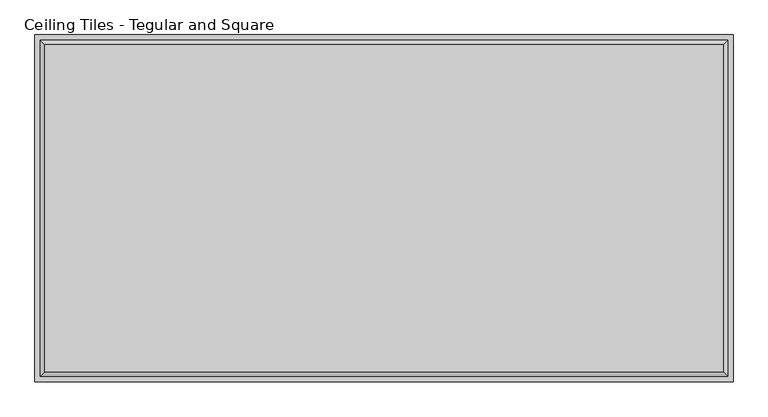
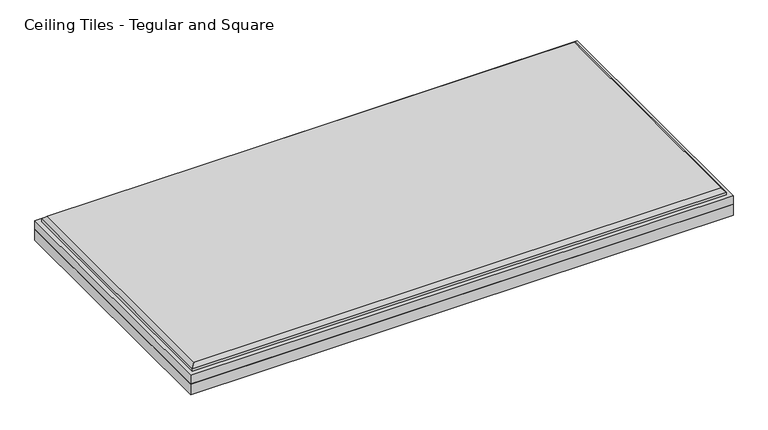
"""IFC4 building model written with IfcOpenShell, lengths in millimetres: proxy geometry, Ceiling Tiles - Tegular and Square."""

from ifc_helpers import new_model, si_unit, origin, origin_with_axes, place, context, project, spatial, polyline, outline, extrude, faceted_brep, source, transform, mapped, element, save


def ceiling_tiles_tegular_and_square_62a12d5d(model_context):
    return source(origin(), model_context, "Body", "SolidModel", [
        extrude(outline(polyline([(606.425, 301.625), (606.425, -301.625), (-606.425, -301.625), (-606.425, 301.625), (606.425, 301.625)])), origin_with_axes(), (0.0, 0.0, 1.0), 25.4),
        faceted_brep([(588.899, 284.099, 60.325), (-588.899, 284.099, 60.325), (-588.899, -284.099, 60.325), (588.899, -284.099, 60.325), (-606.425, 301.625, 25.4), (606.425, 301.625, 25.4), (606.425, -301.625, 25.4), (-606.425, -301.625, 25.4), (-606.425, -301.625, 46.0375), (-606.425, 301.625, 46.0375), (606.425, -301.625, 46.0375), (606.425, 301.625, 46.0375), (596.9, 292.1, 52.324), (-596.9, 292.1, 52.324), (-596.9, -292.1, 52.324), (596.9, -292.1, 52.324), (596.9, 292.1, 46.0375), (-596.9, 292.1, 46.0375), (-596.9, -292.1, 46.0375), (596.9, -292.1, 46.0375)], [[[0, 1, 2, 3]], [[4, 5, 6, 7]], [[4, 7, 8, 9]], [[7, 6, 10, 8]], [[6, 5, 11, 10]], [[5, 4, 9, 11]], [[12, 13, 1, 0]], [[1, 13, 14, 2]], [[2, 14, 15, 3]], [[12, 0, 3, 15]], [[16, 17, 13, 12]], [[13, 17, 18, 14]], [[14, 18, 19, 15]], [[16, 12, 15, 19]], [[9, 8, 10, 11], [17, 16, 19, 18]]]),
    ])


if __name__ == "__main__":
    model = new_model("IFC4")
    model_context = context("Model", 3, world=origin())
    ifc_project = project(units=[si_unit("LENGTHUNIT", "METRE", prefix="MILLI")], contexts=[model_context])
    site = spatial("IfcSite", under=ifc_project)
    building = spatial("IfcBuilding", under=site)
    placement = place(None, origin())
    ceiling_tiles_tegular_and_square_shape = ceiling_tiles_tegular_and_square_62a12d5d(model_context)
    element("IfcBuildingElementProxy", 1, Name="Ceiling Tiles - Tegular and Square", ObjectType="Ceiling Tiles - Tegular and Square", at=placement, inside=building, context=model_context, shape_type="MappedRepresentation", body=[
        mapped(ceiling_tiles_tegular_and_square_shape, transform((0.0, 0.0, 0.0), x_axis=(1.0, 0.0, 0.0), y_axis=(0.0, 1.0, 0.0), z_axis=(0.0, 0.0, 1.0))),
    ])
    save(model, "model.ifc")
